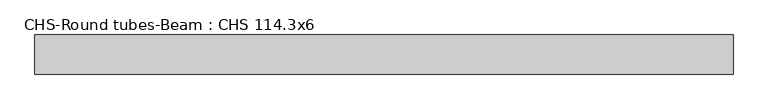
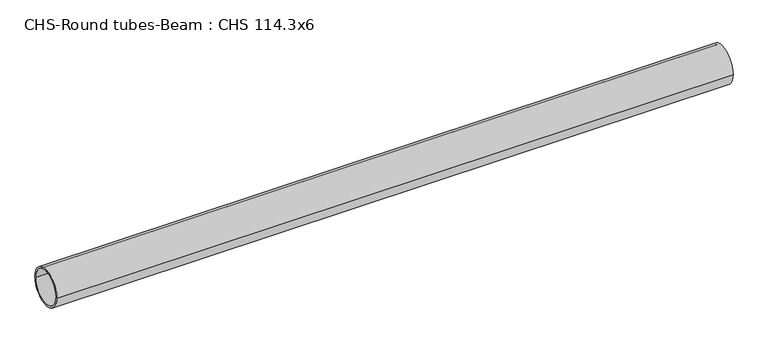
"""IFC4 building model written with IfcOpenShell, lengths in millimetres: beam geometry, CHS-Round tubes-Beam : CHS 114.3x6."""

from ifc_helpers import new_model, si_unit, point, frame, origin, origin_2d, place, context, project, spatial, circle_curve, trimmed, segment, composite_curve, outline, extrude, source, transform, mapped, element, save


def chs_round_tubes_beam_chs_114_3x6_604a54e2(model_context):
    return source(origin(), model_context, "Body", "SweptSolid", [
        extrude(outline(composite_curve([segment(trimmed(circle_curve(origin_2d(), 57.15), [point((57.15, 0.0))], [point((-57.15, 0.0))], False, "CARTESIAN"), True, "CONTINUOUS"), segment(trimmed(circle_curve(origin_2d(), 57.15), [point((-57.15, 0.0))], [point((57.15, 0.0))], False, "CARTESIAN"), True, "CONTINUOUS")], self_intersect=False), holes=[composite_curve([segment(trimmed(circle_curve(origin_2d(), 51.15), [point((51.15, 0.0))], [point((-51.15, 0.0))], True, "CARTESIAN"), True, "CONTINUOUS"), segment(trimmed(circle_curve(origin_2d(), 51.15), [point((-51.15, 0.0))], [point((51.15, 0.0))], True, "CARTESIAN"), True, "CONTINUOUS")], self_intersect=False)]), frame((-988.2142737, 0.0, 0.0), z_axis=(1.0, 0.0, 0.0), x_axis=(0.0, 1.0, 0.0)), (0.0, 0.0, 1.0), 2041.6094592),
    ])


if __name__ == "__main__":
    model = new_model("IFC4")
    model_context = context("Model", 3, world=origin())
    ifc_project = project(units=[si_unit("LENGTHUNIT", "METRE", prefix="MILLI")], contexts=[model_context])
    site = spatial("IfcSite", under=ifc_project)
    building = spatial("IfcBuilding", under=site)
    placement = place(None, origin())
    chs_round_tubes_beam_chs_114_3x6_shape = chs_round_tubes_beam_chs_114_3x6_604a54e2(model_context)
    element("IfcBeam", 1, ObjectType="CHS-Round tubes-Beam : CHS 114.3x6", at=placement, inside=building, context=model_context, shape_type="MappedRepresentation", body=[
        mapped(chs_round_tubes_beam_chs_114_3x6_shape, transform((0.0, 0.0, 0.0), x_axis=(1.0, 0.0, 0.0), y_axis=(0.0, 1.0, 0.0), z_axis=(0.0, 0.0, 1.0))),
    ])
    save(model, "model.ifc")
